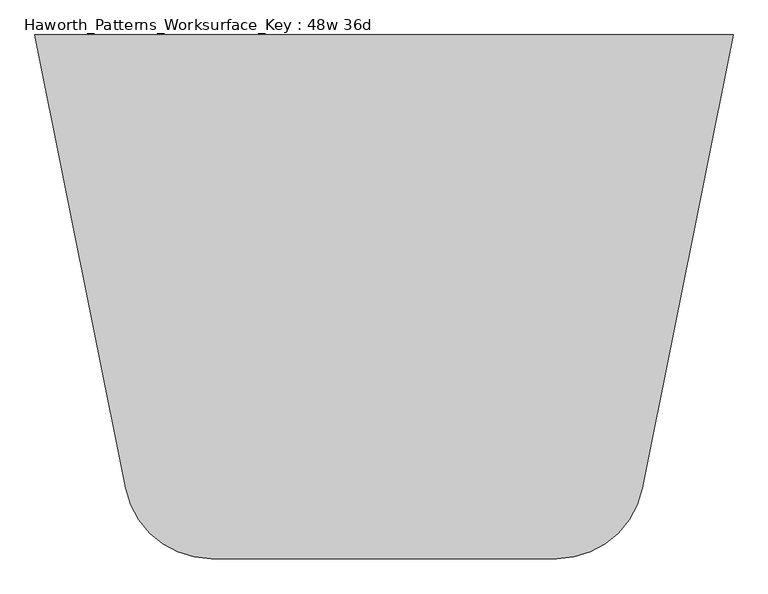
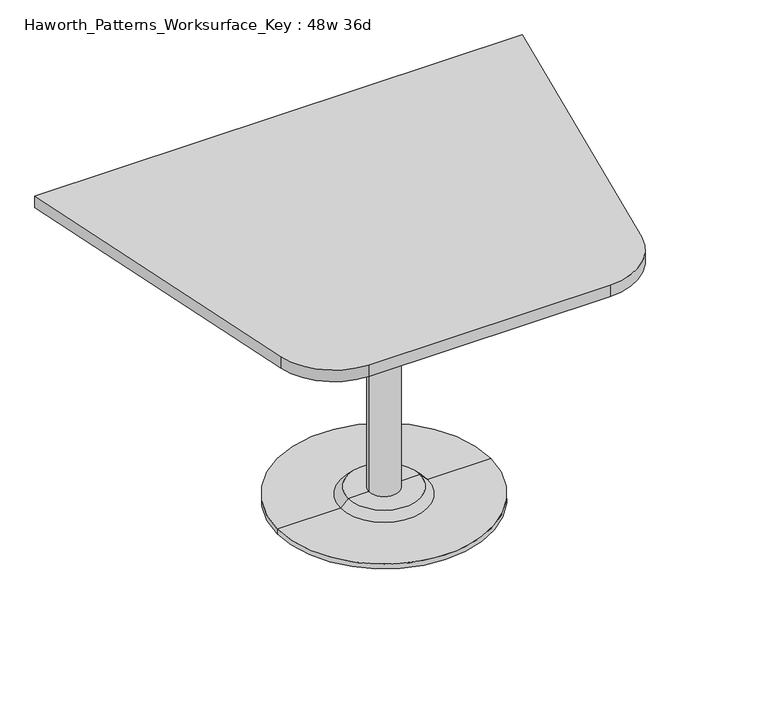
"""IFC4 building model written with IfcOpenShell, lengths in millimetres: furniture geometry, Haworth_Patterns_Worksurface_Key : 48w 36d."""

from ifc_helpers import new_model, si_unit, point, frame, frame_2d, origin, place, context, project, spatial, polyline, circle_curve, trimmed, segment, composite_curve, outline, extrude, source, transform, mapped, element, save
from ifc_brep_helpers import plane_surface, cylinder_surface, revolved_surface, advanced_brep


def haworth_patterns_worksurface_key_48w_36d_731acfcb(model_context):
    return source(origin(), model_context, "Body", "SolidModel", [
        advanced_brep(
        [(38.1, 139.7, 706.4375), (-38.1, 139.7, 706.4375), (0.0, 139.7, 706.4375), (38.1, 139.7, 31.75), (-38.1, 139.7, 31.75), (89.723978, 139.7, 31.75), (-89.723978, 139.7, 31.75), (266.7, 139.7, 0.0), (-266.7, 139.7, 0.0), (-266.7, 139.7, 12.7), (266.7, 139.7, 12.7), (0.0, 139.7, 0.0), (108.773978, 139.7, 12.7), (-108.773978, 139.7, 12.7)],
        [
            (0, 1, circle_curve(frame((0.0, 139.7, 706.4375), z_axis=(0.0, 0.0, 1.0), x_axis=(-1.0, 0.0, 0.0)), 38.1)),
            (1, 2),
            (2, 0),
            (1, 0, circle_curve(frame((0.0, 139.7, 706.4375), z_axis=(0.0, 0.0, 1.0), x_axis=(-1.0, 0.0, 0.0)), 38.1)),
            (3, 4, circle_curve(frame((0.0, 139.7, 31.75), z_axis=(0.0, 0.0, 1.0), x_axis=(-1.0, 0.0, 0.0)), 38.1)),
            (4, 1),
            (0, 3),
            (4, 3, circle_curve(frame((0.0, 139.7, 31.75), z_axis=(0.0, 0.0, 1.0), x_axis=(-1.0, 0.0, 0.0)), 38.1)),
            (5, 6, circle_curve(frame((0.0, 139.7, 31.75), z_axis=(0.0, 0.0, 1.0), x_axis=(-1.0, 0.0, 0.0)), 89.723978)),
            (6, 4),
            (3, 5),
            (6, 5, circle_curve(frame((0.0, 139.7, 31.75), z_axis=(0.0, 0.0, 1.0), x_axis=(-1.0, 0.0, 0.0)), 89.723978)),
            (7, 8, circle_curve(frame((0.0, 139.7, 0.0), z_axis=(0.0, 0.0, 1.0), x_axis=(-1.0, 0.0, 0.0)), 266.7)),
            (8, 9),
            (9, 10, circle_curve(frame((0.0, 139.7, 12.7), z_axis=(0.0, 0.0, -1.0), x_axis=(-1.0, 0.0, 0.0)), 266.7)),
            (10, 7),
            (8, 7, circle_curve(frame((0.0, 139.7, 0.0), z_axis=(0.0, 0.0, 1.0), x_axis=(-1.0, 0.0, 0.0)), 266.7)),
            (10, 9, circle_curve(frame((0.0, 139.7, 12.7), z_axis=(0.0, 0.0, -1.0), x_axis=(-1.0, 0.0, 0.0)), 266.7)),
            (11, 8),
            (7, 11),
            (12, 13, circle_curve(frame((0.0, 139.7, 12.7), z_axis=(0.0, 0.0, 1.0), x_axis=(-1.0, 0.0, 0.0)), 108.773978)),
            (13, 6),
            (5, 12),
            (13, 12, circle_curve(frame((0.0, 139.7, 12.7), z_axis=(0.0, 0.0, 1.0), x_axis=(-1.0, 0.0, 0.0)), 108.773978)),
            (9, 13),
            (12, 10),
        ],
        [
            plane_surface(frame((0.0, 139.7, 706.4375), z_axis=(0.0, 0.0, 1.0), x_axis=(-1.0, 0.0, 0.0))),
            cylinder_surface(frame((0.0, 139.7, 889.623257), z_axis=(0.0, 0.0, -1.0), x_axis=(-1.0, 0.0, 0.0)), 38.1),
            plane_surface(frame((0.0, 139.7, 31.75), z_axis=(0.0, 0.0, 1.0), x_axis=(-1.0, 0.0, 0.0))),
            cylinder_surface(frame((0.0, 139.7, 889.623257), z_axis=(0.0, 0.0, -1.0), x_axis=(-1.0, 0.0, 0.0)), 266.7),
            plane_surface(frame((0.0, 139.7, 0.0), z_axis=(0.0, 0.0, -1.0), x_axis=(-1.0, 0.0, 0.0))),
            revolved_surface(polyline([(-89.723978, 139.7, 31.75), (-108.773978, 139.7, 12.7)]), (0.0, 139.7, 889.623257), (0.0, 0.0, -1.0)),
            plane_surface(frame((0.0, 139.7, 12.7), z_axis=(0.0, 0.0, 1.0), x_axis=(-1.0, 0.0, 0.0))),
        ],
        [
            (0, [[1, 2, 3]]),
            (0, [[4, -3, -2]]),
            (1, [[5, 6, -1, 7]]),
            (1, [[8, -7, -4, -6]]),
            (2, [[9, 10, -5, 11]]),
            (2, [[12, -11, -8, -10]]),
            (3, [[13, 14, 15, 16]]),
            (3, [[17, -16, 18, -14]]),
            (4, [[19, -13, 20]]),
            (4, [[-20, -17, -19]]),
            (5, [[21, 22, -9, 23]]),
            (5, [[24, -23, -12, -22]]),
            (6, [[-15, 25, -21, 26]]),
            (6, [[-18, -26, -24, -25]]),
        ],
    ),
        extrude(outline(composite_curve([segment(polyline([(609.6, 596.9), (451.2223802, -194.988099)]), True, "CONTINUOUS"), segment(trimmed(circle_curve(frame_2d((301.7818852, -165.1)), 152.4), [point((451.2223802, -194.988099))], [point((301.7818852, -317.5))], False, "CARTESIAN"), True, "CONTINUOUS"), segment(polyline([(301.7818852, -317.5), (-301.7818852, -317.5)]), True, "CONTINUOUS"), segment(trimmed(circle_curve(frame_2d((-301.7818852, -165.1)), 152.4), [point((-301.7818852, -317.5))], [point((-451.2223802, -194.988099))], False, "CARTESIAN"), True, "CONTINUOUS"), segment(polyline([(-451.2223802, -194.988099), (-609.6, 596.9), (609.6, 596.9)]), True, "CONTINUOUS")], self_intersect=False)), frame((0.0, 0.0, 706.4375), z_axis=(0.0, 0.0, 1.0), x_axis=(1.0, 0.0, 0.0)), (0.0, 0.0, 1.0), 30.1625),
    ])


if __name__ == "__main__":
    model = new_model("IFC4")
    model_context = context("Model", 3, world=origin())
    ifc_project = project(units=[si_unit("LENGTHUNIT", "METRE", prefix="MILLI")], contexts=[model_context])
    site = spatial("IfcSite", under=ifc_project)
    building = spatial("IfcBuilding", under=site)
    placement = place(None, origin())
    haworth_patterns_worksurface_key_48w_36d_shape = haworth_patterns_worksurface_key_48w_36d_731acfcb(model_context)
    element("IfcFurniture", 1, ObjectType="Haworth_Patterns_Worksurface_Key : 48w 36d", at=placement, inside=building, context=model_context, shape_type="MappedRepresentation", body=[
        mapped(haworth_patterns_worksurface_key_48w_36d_shape, transform((0.0, 0.0, 0.0), x_axis=(1.0, 0.0, 0.0), y_axis=(0.0, 1.0, 0.0), z_axis=(0.0, 0.0, 1.0))),
    ])
    save(model, "model.ifc")
